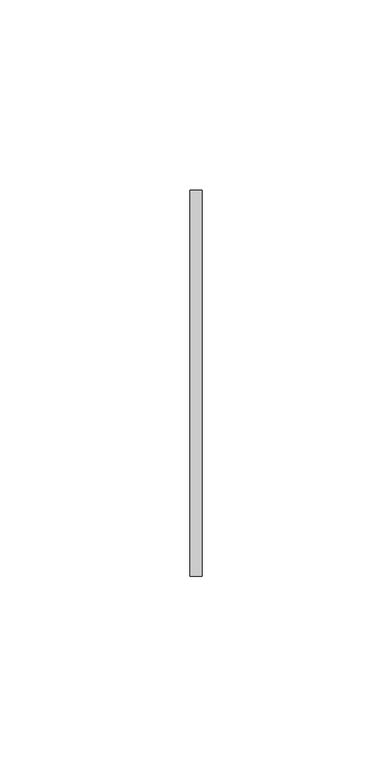
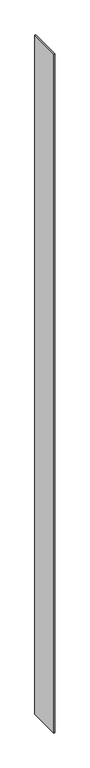
"""IFC4 building model written with IfcOpenShell, lengths in millimetres: furniture geometry."""

from ifc_helpers import new_model, si_unit, frame, origin, place, context, project, spatial, polyline, outline, extrude, source, transform, mapped, element, save


def furniture_593cca0a(model_context):
    return source(origin(), model_context, "Body", "SweptSolid", [
        extrude(outline(polyline([(0.0, 50.8000015), (0.0, -50.7659292), (-3.1750001, -50.7659292), (-3.1750001, 50.8000015), (0.0, 50.8000015)])), frame((0.0, 0.0, 25.4), z_axis=(0.0, 0.0, 1.0), x_axis=(1.0, 0.0, 0.0)), (0.0, 0.0, 1.0), 2209.8),
    ])


if __name__ == "__main__":
    model = new_model("IFC4")
    model_context = context("Model", 3, world=origin())
    ifc_project = project(units=[si_unit("LENGTHUNIT", "METRE", prefix="MILLI")], contexts=[model_context])
    site = spatial("IfcSite", under=ifc_project)
    building = spatial("IfcBuilding", under=site)
    placement = place(None, origin())
    furniture_shape = furniture_593cca0a(model_context)
    element("IfcFurniture", 1, at=placement, inside=building, context=model_context, shape_type="MappedRepresentation", body=[
        mapped(furniture_shape, transform((0.0, 0.0, 0.0), x_axis=(1.0, 0.0, 0.0), y_axis=(0.0, 1.0, 0.0), z_axis=(0.0, 0.0, 1.0))),
    ])
    save(model, "model.ifc")
